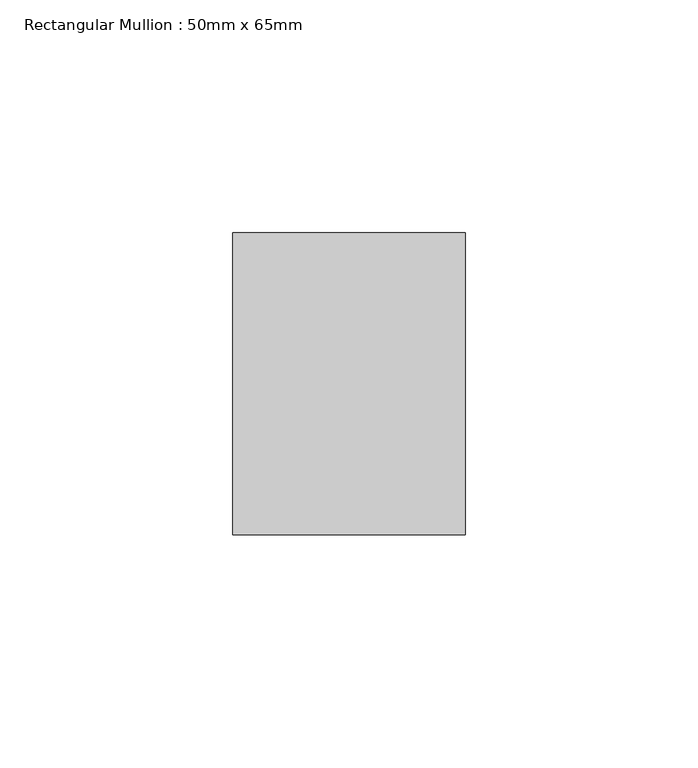
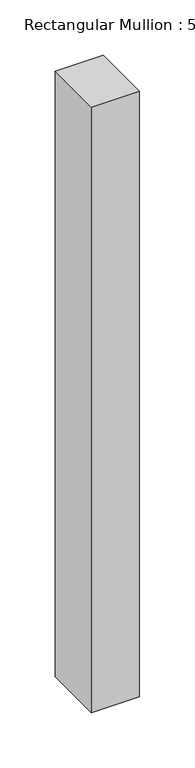
"""IFC4 building model written with IfcOpenShell, lengths in millimetres: member geometry, Rectangular Mullion : 50mm x 65mm."""

from ifc_helpers import new_model, si_unit, frame, origin, place, context, project, spatial, polyline, outline, extrude, source, transform, mapped, element, save


def rectangular_mullion_50mm_x_65mm_6eced49c(model_context):
    return source(origin(), model_context, "Body", "SweptSolid", [
        extrude(outline(polyline([(25.0, 32.5), (25.0, -32.5), (-25.0, -32.5), (-25.0, 32.5), (25.0, 32.5)])), frame((0.0, 0.0, -667.5403264), z_axis=(0.0, 0.0, 1.0), x_axis=(1.0, 0.0, 0.0)), (0.0, 0.0, 1.0), 667.5403264),
    ])


if __name__ == "__main__":
    model = new_model("IFC4")
    model_context = context("Model", 3, world=origin())
    ifc_project = project(units=[si_unit("LENGTHUNIT", "METRE", prefix="MILLI")], contexts=[model_context])
    site = spatial("IfcSite", under=ifc_project)
    building = spatial("IfcBuilding", under=site)
    placement = place(None, origin())
    rectangular_mullion_50mm_x_65mm_shape = rectangular_mullion_50mm_x_65mm_6eced49c(model_context)
    element("IfcMember", 1, ObjectType="Rectangular Mullion : 50mm x 65mm", at=placement, inside=building, context=model_context, shape_type="MappedRepresentation", body=[
        mapped(rectangular_mullion_50mm_x_65mm_shape, transform((0.0, 0.0, 0.0), x_axis=(1.0, 0.0, 0.0), y_axis=(0.0, 1.0, 0.0), z_axis=(0.0, 0.0, 1.0))),
    ])
    save(model, "model.ifc")
